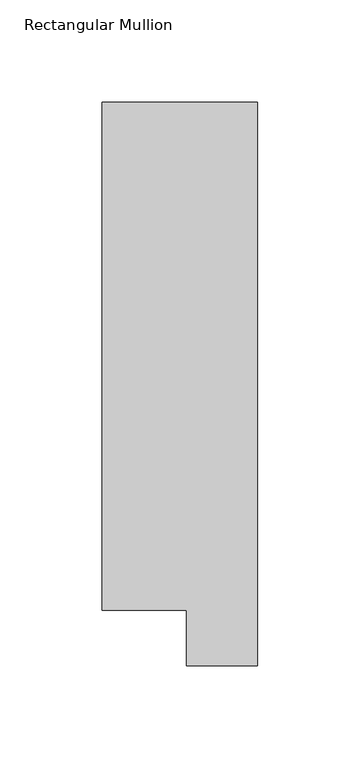
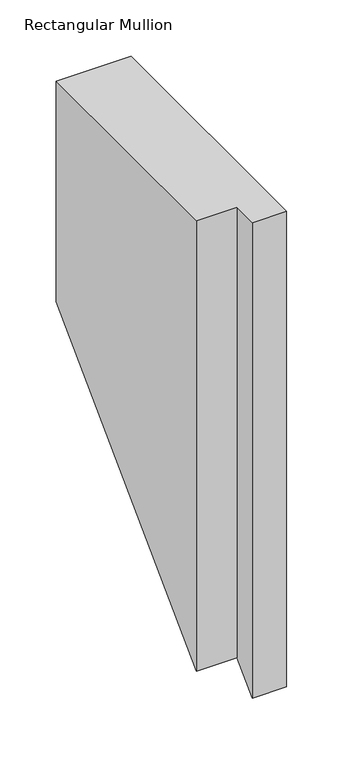
"""IFC4 building model written with IfcOpenShell, lengths in millimetres: member geometry, Rectangular Mullion."""

from ifc_helpers import new_model, si_unit, origin, place, context, project, spatial, faceted_brep, source, transform, mapped, element, save


def rectangular_mullion_a01da059(model_context):
    return source(origin(), model_context, "Body", "Brep", [
        faceted_brep([(0.0, 295.1821312, 0.0), (-76.2, 295.1821312, 0.0), (-76.2, 46.7447302, 0.0), (-34.9123, 46.7447302, 0.0), (-34.9123, 19.5667313, 0.0), (0.0, 19.5667313, 0.0), (0.0, 295.1821312, -238.2178687), (-76.2, 295.1821312, -238.2178687), (-76.2, 46.7447302, -486.6552698), (-34.9123, 46.7447302, -486.6552698), (-34.9123, 19.5667313, -513.8332687), (0.0, 19.5667313, -513.8332687)], [[[0, 1, 2, 3, 4, 5]], [[1, 0, 6, 7]], [[2, 1, 7, 8]], [[3, 2, 8, 9]], [[4, 3, 9, 10]], [[5, 4, 10, 11]], [[0, 5, 11, 6]], [[6, 11, 10, 9, 8, 7]]]),
    ])


if __name__ == "__main__":
    model = new_model("IFC4")
    model_context = context("Model", 3, world=origin())
    ifc_project = project(units=[si_unit("LENGTHUNIT", "METRE", prefix="MILLI")], contexts=[model_context])
    site = spatial("IfcSite", under=ifc_project)
    building = spatial("IfcBuilding", under=site)
    placement = place(None, origin())
    rectangular_mullion_shape = rectangular_mullion_a01da059(model_context)
    element("IfcMember", 1, ObjectType="Rectangular Mullion", at=placement, inside=building, context=model_context, shape_type="MappedRepresentation", body=[
        mapped(rectangular_mullion_shape, transform((0.0, 0.0, 0.0), x_axis=(1.0, 0.0, 0.0), y_axis=(0.0, 1.0, 0.0), z_axis=(0.0, 0.0, 1.0))),
    ])
    save(model, "model.ifc")
